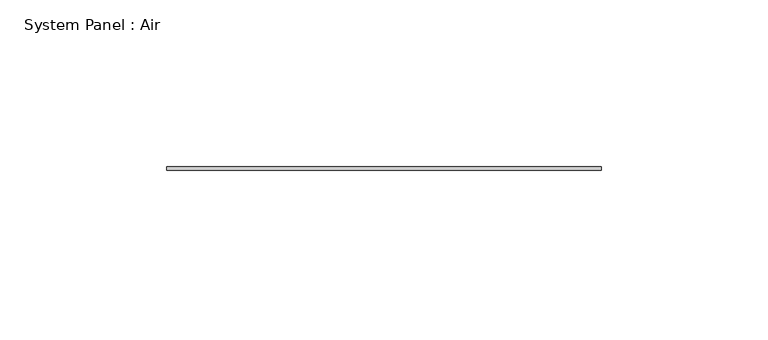
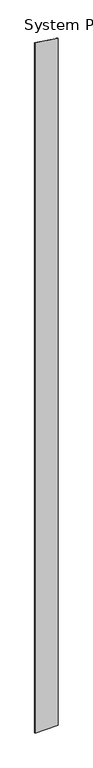
"""IFC4 building model written with IfcOpenShell, lengths in millimetres: plate geometry, System Panel : Air."""

from ifc_helpers import new_model, si_unit, frame, origin, place, context, project, spatial, polyline, outline, extrude, source, transform, mapped, element, save


def system_panel_air_d7e16ad1(model_context):
    return source(origin(), model_context, "Body", "SweptSolid", [
        extrude(outline(polyline([(0.0, -65.0), (0.0, 65.0), (4067.2850783, 65.0), (4086.5396619, -65.0), (0.0, -65.0)])), frame((0.0, 36.5, 0.0), z_axis=(0.0, 1.0, 0.0), x_axis=(0.0, 0.0, 1.0)), (0.0, 0.0, 1.0), 1.0),
    ])


if __name__ == "__main__":
    model = new_model("IFC4")
    model_context = context("Model", 3, world=origin())
    ifc_project = project(units=[si_unit("LENGTHUNIT", "METRE", prefix="MILLI")], contexts=[model_context])
    site = spatial("IfcSite", under=ifc_project)
    building = spatial("IfcBuilding", under=site)
    placement = place(None, origin())
    system_panel_air_shape = system_panel_air_d7e16ad1(model_context)
    element("IfcPlate", 1, ObjectType="System Panel : Air", at=placement, inside=building, context=model_context, shape_type="MappedRepresentation", body=[
        mapped(system_panel_air_shape, transform((0.0, 0.0, 0.0), x_axis=(1.0, 0.0, 0.0), y_axis=(0.0, 1.0, 0.0), z_axis=(0.0, 0.0, 1.0))),
    ])
    save(model, "model.ifc")
